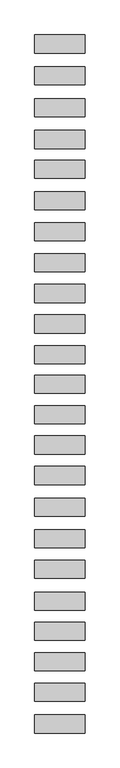
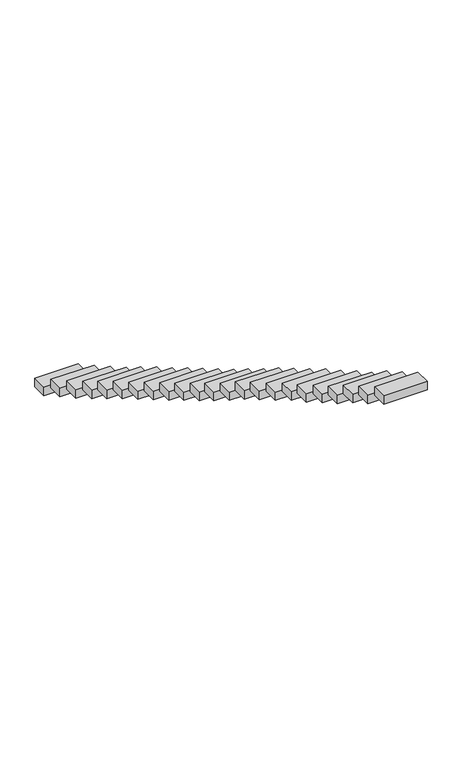
"""IFC4 building model written with IfcOpenShell, lengths in millimetres: proxy geometry."""

from ifc_helpers import new_model, si_unit, frame, origin, place, context, project, spatial, polyline, outline, extrude, source, transform, mapped, element, save


def generic_models_46eb32e6(model_context):
    return source(origin(), model_context, "Body", "SweptSolid", [
        extrude(outline(polyline([(-610.0, -5254.000472), (-610.0, -4814.000472), (610.0, -4814.000472), (610.0, -5254.000472), (-610.0, -5254.000472)])), frame((0.0, 0.0, 3066.6371324), z_axis=(0.0, 0.0, 1.0), x_axis=(1.0, 0.0, 0.0)), (0.0, 0.0, 1.0), 250.0),
        extrude(outline(polyline([(-610.0, -4487.1752619), (-610.0, -4047.1752619), (610.0, -4047.1752619), (610.0, -4487.1752619), (-610.0, -4487.1752619)])), frame((0.0, 0.0, 2611.6049356), z_axis=(0.0, 0.0, 1.0), x_axis=(1.0, 0.0, 0.0)), (0.0, 0.0, 1.0), 250.0),
        extrude(outline(polyline([(-610.0, -3745.0497033), (-610.0, -3305.0497033), (610.0, -3305.0497033), (610.0, -3745.0497033), (-610.0, -3745.0497033)])), frame((0.0, 0.0, 2198.707474), z_axis=(0.0, 0.0, 1.0), x_axis=(1.0, 0.0, 0.0)), (0.0, 0.0, 1.0), 250.0),
        extrude(outline(polyline([(-610.0, -3005.3592312), (-610.0, -2565.3592312), (610.0, -2565.3592312), (610.0, -3005.3592312), (-610.0, -3005.3592312)])), frame((0.0, 0.0, 1711.2975058), z_axis=(0.0, 0.0, 1.0), x_axis=(1.0, 0.0, 0.0)), (0.0, 0.0, 1.0), 250.0),
        extrude(outline(polyline([(-610.0, -2277.9901584), (-610.0, -1837.9901584), (610.0, -1837.9901584), (610.0, -2277.9901584), (-610.0, -2277.9901584)])), frame((0.0, 0.0, 1304.8606292), z_axis=(0.0, 0.0, 1.0), x_axis=(1.0, 0.0, 0.0)), (0.0, 0.0, 1.0), 250.0),
        extrude(outline(polyline([(-610.0, -1499.273743), (-610.0, -1059.273743), (610.0, -1059.273743), (610.0, -1499.273743), (-610.0, -1499.273743)])), frame((0.0, 0.0, 850.8024715), z_axis=(0.0, 0.0, 1.0), x_axis=(1.0, 0.0, 0.0)), (0.0, 0.0, 1.0), 250.0),
        extrude(outline(polyline([(-610.0, -760.0134372), (-610.0, -320.0134372), (610.0, -320.0134372), (610.0, -760.0134372), (-610.0, -760.0134372)])), frame((0.0, 0.0, 450.7702746), z_axis=(0.0, 0.0, 1.0), x_axis=(1.0, 0.0, 0.0)), (0.0, 0.0, 1.0), 250.0),
        extrude(outline(polyline([(-610.0, 12.2987736), (-610.0, 452.2987736), (610.0, 452.2987736), (610.0, 12.2987736), (-610.0, 12.2987736)])), frame((0.0, 0.0, -19.0184125), z_axis=(0.0, 0.0, 1.0), x_axis=(1.0, 0.0, 0.0)), (0.0, 0.0, 1.0), 250.0),
        extrude(outline(polyline([(-610.0, 778.9373315), (-610.0, 1218.9373315), (610.0, 1218.9373315), (610.0, 778.9373315), (-610.0, 778.9373315)])), frame((0.0, 0.0, -464.5376289), z_axis=(0.0, 0.0, 1.0), x_axis=(1.0, 0.0, 0.0)), (0.0, 0.0, 1.0), 250.0),
        extrude(outline(polyline([(-610.0, 1521.4930564), (-610.0, 1961.4930564), (610.0, 1961.4930564), (610.0, 1521.4930564), (-610.0, 1521.4930564)])), frame((0.0, 0.0, -901.4610513), z_axis=(0.0, 0.0, 1.0), x_axis=(1.0, 0.0, 0.0)), (0.0, 0.0, 1.0), 250.0),
        extrude(outline(polyline([(-610.0, 2250.9968672), (-610.0, 2690.9968672), (610.0, 2690.9968672), (610.0, 2250.9968672), (-610.0, 2250.9968672)])), frame((0.0, 0.0, -1376.4932482), z_axis=(0.0, 0.0, 1.0), x_axis=(1.0, 0.0, 0.0)), (0.0, 0.0, 1.0), 250.0),
        extrude(outline(polyline([(-610.0, 2996.1743492), (-610.0, 3436.1743492), (610.0, 3436.1743492), (610.0, 2996.1743492), (-610.0, 2996.1743492)])), frame((0.0, 0.0, -1829.8208765), z_axis=(0.0, 0.0, 1.0), x_axis=(1.0, 0.0, 0.0)), (0.0, 0.0, 1.0), 250.0),
        extrude(outline(polyline([(-610.0, 3711.5713146), (-610.0, 4151.5713146), (610.0, 4151.5713146), (610.0, 3711.5713146), (-610.0, 3711.5713146)])), frame((0.0, 0.0, -2272.3250449), z_axis=(0.0, 0.0, 1.0), x_axis=(1.0, 0.0, 0.0)), (0.0, 0.0, 1.0), 250.0),
        extrude(outline(polyline([(-610.0, 4460.2816865), (-610.0, 4900.2816865), (610.0, 4900.2816865), (610.0, 4460.2816865), (-610.0, 4460.2816865)])), frame((0.0, 0.0, -2715.7567593), z_axis=(0.0, 0.0, 1.0), x_axis=(1.0, 0.0, 0.0)), (0.0, 0.0, 1.0), 250.0),
        extrude(outline(polyline([(-610.0, 5200.0365605), (-610.0, 5640.0365605), (610.0, 5640.0365605), (610.0, 5200.0365605), (-610.0, 5200.0365605)])), frame((0.0, 0.0, -3152.1714234), z_axis=(0.0, 0.0, 1.0), x_axis=(1.0, 0.0, 0.0)), (0.0, 0.0, 1.0), 250.0),
        extrude(outline(polyline([(-610.0, 5950.7999678), (-610.0, 6390.7999678), (610.0, 6390.7999678), (610.0, 5950.7999678), (-610.0, 5950.7999678)])), frame((0.0, 0.0, -3591.3929075), z_axis=(0.0, 0.0, 1.0), x_axis=(1.0, 0.0, 0.0)), (0.0, 0.0, 1.0), 250.0),
        extrude(outline(polyline([(-610.0, 6701.9582643), (-610.0, 7141.9582643), (610.0, 7141.9582643), (610.0, 6701.9582643), (-610.0, 6701.9582643)])), frame((0.0, 0.0, -4044.8246219), z_axis=(0.0, 0.0, 1.0), x_axis=(1.0, 0.0, 0.0)), (0.0, 0.0, 1.0), 250.0),
        extrude(outline(polyline([(-610.0, 7450.5284891), (-610.0, 7890.5284891), (610.0, 7890.5284891), (610.0, 7450.5284891), (-610.0, 7450.5284891)])), frame((0.0, 0.0, -4473.2563362), z_axis=(0.0, 0.0, 1.0), x_axis=(1.0, 0.0, 0.0)), (0.0, 0.0, 1.0), 250.0),
        extrude(outline(polyline([(-610.0, 8213.4850881), (-610.0, 8653.4850881), (610.0, 8653.4850881), (610.0, 8213.4850881), (-610.0, 8213.4850881)])), frame((0.0, 0.0, -4941.4692953), z_axis=(0.0, 0.0, 1.0), x_axis=(1.0, 0.0, 0.0)), (0.0, 0.0, 1.0), 250.0),
        extrude(outline(polyline([(-610.0, 8940.0382554), (-610.0, 9380.0382554), (610.0, 9380.0382554), (610.0, 8940.0382554), (-610.0, 8940.0382554)])), frame((0.0, 0.0, -5385.6907795), z_axis=(0.0, 0.0, 1.0), x_axis=(1.0, 0.0, 0.0)), (0.0, 0.0, 1.0), 250.0),
        extrude(outline(polyline([(-610.0, 9712.5999652), (-610.0, 10152.5999652), (610.0, 10152.5999652), (610.0, 9712.5999652), (-610.0, 9712.5999652)])), frame((0.0, 0.0, -5831.929314), z_axis=(0.0, 0.0, 1.0), x_axis=(1.0, 0.0, 0.0)), (0.0, 0.0, 1.0), 250.0),
        extrude(outline(polyline([(-610.0, 10486.1702085), (-610.0, 10926.1702085), (610.0, 10926.1702085), (610.0, 10486.1702085), (-610.0, 10486.1702085)])), frame((0.0, 0.0, -6263.5627333), z_axis=(0.0, 0.0, 1.0), x_axis=(1.0, 0.0, 0.0)), (0.0, 0.0, 1.0), 250.0),
        extrude(outline(polyline([(-610.0, 11258.7318999), (-610.0, 11698.7318999), (610.0, 11698.7318999), (610.0, 11258.7318999), (-610.0, 11258.7318999)])), frame((0.0, 0.0, -6697.316275), z_axis=(0.0, 0.0, 1.0), x_axis=(1.0, 0.0, 0.0)), (0.0, 0.0, 1.0), 250.0),
    ])


if __name__ == "__main__":
    model = new_model("IFC4")
    model_context = context("Model", 3, world=origin())
    ifc_project = project(units=[si_unit("LENGTHUNIT", "METRE", prefix="MILLI")], contexts=[model_context])
    site = spatial("IfcSite", under=ifc_project)
    building = spatial("IfcBuilding", under=site)
    placement = place(None, origin())
    generic_models_shape = generic_models_46eb32e6(model_context)
    element("IfcBuildingElementProxy", 1, Name="Generic Models", at=placement, inside=building, context=model_context, shape_type="MappedRepresentation", body=[
        mapped(generic_models_shape, transform((0.0, 0.0, 0.0), x_axis=(1.0, 0.0, 0.0), y_axis=(0.0, 1.0, 0.0), z_axis=(0.0, 0.0, 1.0))),
    ])
    save(model, "model.ifc")
